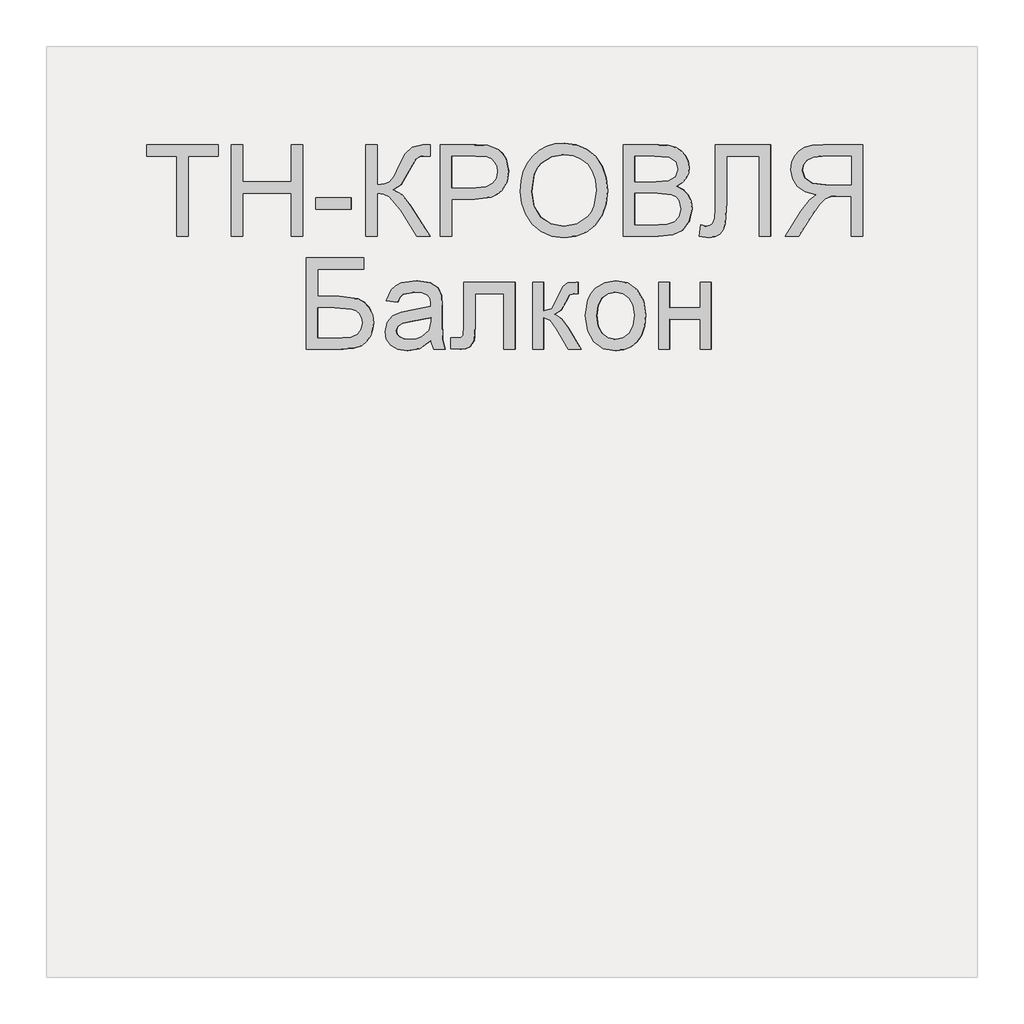
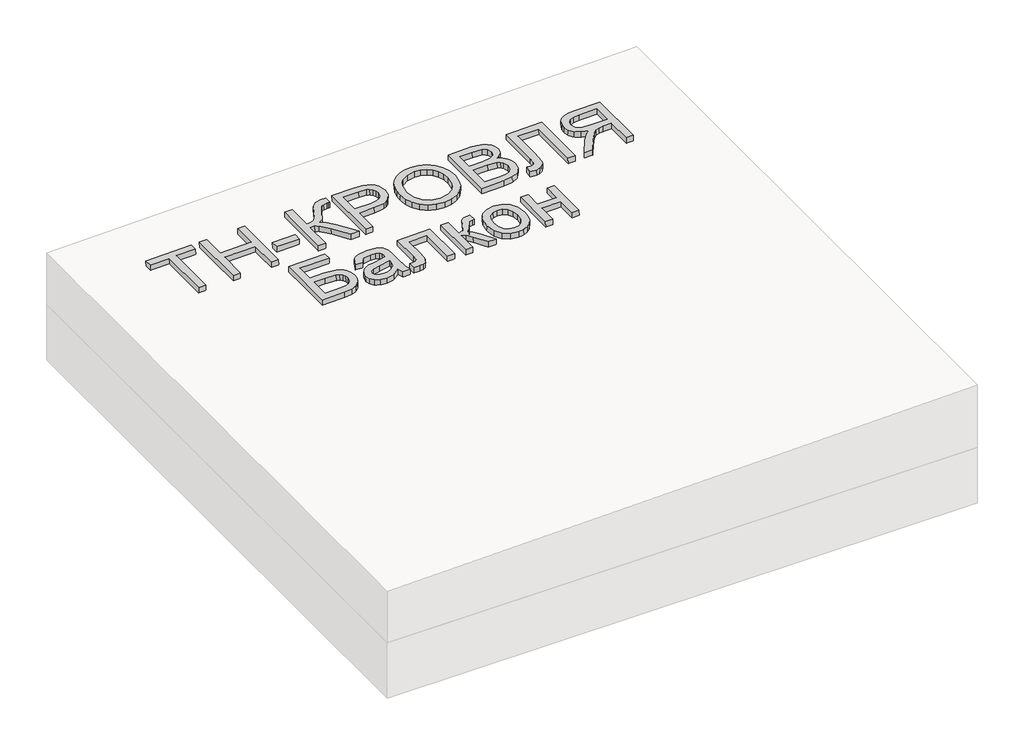
# One storey, part 3 of 3: 1 proxy.
"""IFC4 building model written with IfcOpenShell, lengths in millimetres."""

from ifc_helpers import new_model, si_unit, frame, origin, place, context, project, spatial, polyline, outline, extrude, element, save

model = new_model("IFC4")

# Units and contexts
model_context = context("Model", 3, world=origin())
ifc_project = project(units=[si_unit("LENGTHUNIT", "METRE", prefix="MILLI")], contexts=[model_context])

# Site, building, storey
site = spatial("IfcSite", under=ifc_project)
building = spatial("IfcBuilding", under=site)
storey = spatial("IfcBuildingStorey", under=building, Elevation=0.0)

# Proxy
placement = place(None, origin())
element("IfcBuildingElementProxy", 1, Name="Generic Models", at=placement, inside=storey, context=model_context, shape_type="SweptSolid", body=[
    extrude(outline(polyline([(24.6153846, 0.0), (24.6153846, -172.3076923), (89.2307693, -172.3076923), (89.2307693, -196.9230769), (-64.6153846, -196.9230769), (-64.6153846, -172.3076923), (0.0, -172.3076923), (0.0, 0.0), (24.6153846, 0.0)])), frame((22011.0409004, -4710.2316754, 190.0929061), z_axis=(-0.01999600119956399, 0.0, 0.9998000599800078), x_axis=(-0.9998000599800078, 0.0, -0.01999600119956399)), (0.0, 0.0, 1.0), 20.0),
    extrude(outline(polyline([(24.6153846, 0.0), (24.6153846, -196.9230769), (0.0, -196.9230769), (0.0, -116.9230769), (-104.6153846, -116.9230769), (-104.6153846, -196.9230769), (-129.2307692, -196.9230769), (-129.2307692, 0.0), (-104.6153846, 0.0), (-104.6153846, -92.3076923), (0.0, -92.3076923), (0.0, 0.0), (24.6153846, 0.0)])), frame((22127.9405997, -4710.2316754, 192.4309001), z_axis=(-0.01999600119956399, 0.0, 0.9998000599800078), x_axis=(-0.9998000599800078, 0.0, -0.01999600119956399)), (0.0, 0.0, 1.0), 20.0),
    extrude(outline(polyline([(76.9230769, 0.0), (76.9230769, -24.6153846), (0.0, -24.6153846), (0.0, 0.0), (76.9230769, 0.0)])), frame((22361.7399983, -4651.7701369, 197.1068881), z_axis=(-0.01999600119956399, 0.0, 0.9998000599800078), x_axis=(-0.9998000599800078, 0.0, -0.01999600119956399)), (0.0, 0.0, 1.0), 20.0),
    extrude(outline(polyline([(196.9230769, 0.0), (196.9230769, -24.6153846), (110.7692308, -24.6153846), (112.3978365, -41.280048), (117.2836538, -52.1394231), (128.7800481, -60.9194711), (150.2403846, -71.3461539), (177.7644231, -84.9278846), (191.3942308, -100.3125), (196.9230769, -122.3076923), (196.6346154, -138.4615385), (172.0192308, -138.4615385), (172.1634615, -133.0288462), (172.3076923, -127.5961539), (170.8293269, -116.3221153), (166.3942308, -108.3653846), (141.0576923, -93.75), (110.1923077, -76.3221153), (100.0, -59.3269231), (88.8701923, -78.329327), (65.6730769, -97.0673077), (0.0, -138.4615385), (0.0, -109.9038462), (55.4807692, -74.9038462), (84.4471154, -50.2644231), (90.3425481, -38.8882211), (92.3076923, -24.6153846), (0.0, -24.6153846), (0.0, 0.0), (196.9230769, 0.0)])), frame((22392.5030771, -4710.2316754, 197.7221496), z_axis=(-0.019996001199563986, 0.0, 0.9998000599800078), x_axis=(0.0, 1.0, 0.0)), (0.0, 0.0, 1.0), 20.0),
    extrude(outline(polyline([(24.6153846, 0.0), (24.6153846, -196.9230769), (-48.3653847, -196.9230769), (-77.7884615, -195.0480769), (-101.7067307, -185.8413461), (-110.4026442, -177.6802885), (-117.2115385, -166.8028846), (-123.0769231, -139.9519231), (-119.1165866, -116.7427885), (-107.235577, -97.4038461), (-97.7208534, -89.7896635), (-85.0180289, -84.3509615), (-50.0480769, -80.0), (0.0, -80.0), (0.0, 0.0), (24.6153846, 0.0)]), holes=[polyline([(0.0, -104.6153846), (-51.4903846, -104.6153846), (-73.3173077, -106.875), (-87.7403846, -113.6538461), (-95.78125, -124.53125), (-98.4615385, -139.0865385), (-96.8810096, -150.1442308), (-92.1394231, -159.4711538), (-84.8257212, -166.4903846), (-75.5288461, -170.625), (-50.9134615, -172.3076923), (0.0, -172.3076923), (0.0, -104.6153846)])]), frame((22577.0815497, -4710.2316754, 201.4137191), z_axis=(-0.01999600119956399, 0.0, 0.9998000599800078), x_axis=(-0.9998000599800078, 0.0, -0.01999600119956399)), (0.0, 0.0, 1.0), 20.0),
    extrude(outline(polyline([(25.3428445, 0.0), (48.1160484, -4.1938573), (67.8912361, -11.3545773), (84.6684074, -21.48216), (98.4475626, -34.5766053), (108.9049086, -49.9093782), (115.7166524, -66.7519434), (118.8827941, -85.1043011), (118.4033337, -104.9664512), (112.3116986, -130.2760814), (100.0658902, -152.2136344), (82.4868293, -169.6009171), (60.3954366, -181.2597367), (34.812491, -187.0380147), (6.7587717, -186.7836729), (-21.0136463, -180.6528553), (-44.9882084, -168.8870737), (-63.9421568, -152.1247694), (-76.6527338, -131.0043835), (-83.1347827, -107.1750808), (-83.4031474, -82.286026), (-77.165962, -56.5935492), (-64.600884, -34.5586152), (-46.7404789, -17.2511252), (-24.6173127, -5.740981), (0.0, 0.0), (25.3428445, 0.0)]), holes=[polyline([(22.3721769, -24.4366544), (-8.7890431, -25.9094147), (-33.7562618, -37.9787802), (-50.9832576, -58.3865326), (-58.9238091, -84.8744541), (-57.0179297, -112.8610054), (-44.5775814, -136.6179285), (-34.5460353, -146.3414541), (-22.1589797, -153.8699216), (9.6816594, -162.341683), (31.570013, -162.6815636), (50.9840871, -158.5364567), (67.4340475, -150.0149318), (80.43006, -137.2255581), (89.4380632, -121.0520253), (93.9239955, -102.3780231), (92.2935561, -75.5530127), (81.0850249, -51.6494364), (71.4163804, -41.5325654), (58.4080243, -33.6248113), (22.3721769, -24.4366544)])]), frame((22727.5562655, -4639.5525889, 204.4232134), z_axis=(-0.01999600119956399, 0.0, 0.9998000599800078), x_axis=(-0.11095588221402988, 0.9938228553011785, -0.002219117644276566)), (0.0, 0.0, 1.0), 20.0),
    extrude(outline(polyline([(74.5673077, 0.0), (74.5673077, -196.9230769), (-0.5769231, -196.9230769), (-21.2439904, -195.4747596), (-37.3798077, -191.1298077), (-49.7475962, -183.7800481), (-59.110577, -173.3173077), (-65.0060097, -161.0096154), (-66.9711539, -148.125), (-65.3185097, -136.2680288), (-60.360577, -125.1201923), (-52.0612981, -115.3665865), (-40.3846154, -107.6923077), (-54.3329327, -100.4086538), (-64.6394231, -89.3269231), (-71.0036058, -75.1802885), (-73.125, -58.7019231), (-67.3317308, -32.2355769), (-52.9807693, -13.3894231), (-31.5625, -3.3894231), (0.0, 0.0), (74.5673077, 0.0)]), holes=[polyline([(49.951923, -116.9230769), (5.0, -116.9230769), (-21.25, -119.0384615), (-37.0432692, -128.1490385), (-42.3557693, -144.1826923), (-37.4038462, -160.2403846), (-23.2211539, -169.7355769), (8.4134615, -172.3076923), (49.951923, -172.3076923), (49.951923, -116.9230769)]), polyline([(49.951923, -24.6153846), (-0.5288462, -24.6153846), (-18.798077, -25.5769231), (-34.2548077, -30.9375), (-44.4951924, -41.875), (-48.5096154, -58.4615385), (-43.798077, -77.5961538), (-37.626202, -84.5132211), (-28.5336539, -89.0144231), (1.875, -92.3076923), (49.951923, -92.3076923), (49.951923, -24.6153846)])]), frame((23020.7908936, -4710.2316754, 210.287906), z_axis=(-0.019996001199563986, 0.0, 0.9998000599800078), x_axis=(-0.9998000599800078, 0.0, -0.019996001199563986)), (0.0, 0.0, 1.0), 20.0),
    extrude(outline(polyline([(137.6442308, 0.0), (137.6442308, -120.0), (-59.2788461, -120.0), (-59.2788461, -95.3846153), (113.0288462, -95.3846153), (113.0288462, -24.6153846), (12.548077, -24.6153846), (-32.2836538, -21.7548077), (-44.951923, -17.3257211), (-54.4471153, -9.7596153), (-60.3786057, 0.6009616), (-62.3557692, 13.4134616), (-59.2788461, 33.8461539), (-34.6634615, 30.7692308), (-37.7403846, 18.9903846), (-36.0877403, 10.6670674), (-31.1298076, 4.7355769), (-20.0420673, 1.1838943), (0.0, 0.0), (137.6442308, 0.0)])), frame((23143.1221991, -4650.9528293, 212.7345321), z_axis=(-0.019996001199563986, 0.0, 0.9998000599800078), x_axis=(0.0, 1.0, 0.0)), (0.0, 0.0, 1.0), 20.0),
    extrude(outline(polyline([(24.6153846, -110.7692308), (0.0, -110.7692308), (0.0, -24.6153847), (-29.7115385, -24.6153847), (-43.9903846, -25.4807693), (-55.6971154, -30.1682693), (-68.7019232, -42.9326923), (-87.2115385, -69.9519231), (-112.8365385, -110.7692308), (-141.4423078, -110.7692308), (-108.6057692, -57.4038462), (-88.6538462, -32.0673077), (-74.6634616, -21.5384616), (-98.9122596, -15.0120193), (-115.8894231, -3.2211539), (-125.8954327, 12.8605769), (-129.2307693, 32.2596153), (-127.2175481, 47.8545673), (-121.1778846, 62.0432692), (-111.766827, 73.4855769), (-99.6394231, 80.8413461), (-83.046875, 84.8257211), (-60.2403847, 86.1538461), (24.6153846, 86.1538461), (24.6153846, -110.7692308)]), holes=[polyline([(0.0, 0.0), (0.0, 61.5384615), (-61.2980769, 61.5384615), (-80.7752404, 59.4110577), (-94.2067308, 53.0288461), (-102.0132212, 43.3533653), (-104.6153847, 31.3461538), (-99.1586539, 14.639423), (-83.1971154, 3.4855769), (-55.0961539, 0.0), (0.0, 0.0)])]), frame((23435.3714474, -4599.4624446, 218.579517), z_axis=(-0.01999600119956399, 0.0, 0.9998000599800078), x_axis=(0.9998000599800078, 0.0, 0.01999600119956399)), (0.0, 0.0, 1.0), 20.0),
    extrude(outline(polyline([(196.9230769, 0.0), (196.9230769, -123.0769231), (172.3076923, -123.0769231), (172.3076923, -24.6153846), (113.8461539, -24.6153846), (113.8461539, -70.7211539), (108.8461539, -111.3461539), (101.6225962, -124.9399039), (89.9519231, -135.5288461), (74.9278846, -142.34375), (57.6442308, -144.6153846), (43.1310096, -142.9987981), (29.5913462, -138.1490385), (17.734375, -130.0901442), (8.2692308, -118.8461539), (2.0673077, -101.5024039), (0.0, -75.1442307), (0.0, 0.0), (196.9230769, 0.0)]), holes=[polyline([(24.6153846, -24.6153846), (24.6153846, -77.3557692), (26.6466346, -95.9975962), (32.7403846, -109.3269231), (42.8966346, -117.3317308), (57.1153846, -120.0), (67.7043269, -118.4735577), (76.3942308, -113.8942308), (82.8365385, -106.5925481), (86.6826923, -96.8990385), (89.2307692, -59.8076924), (89.2307692, -24.6153846), (24.6153846, -24.6153846)])]), frame((22264.8363002, -4953.3085985, 195.1688141), z_axis=(-0.019996001199563986, 0.0, 0.9998000599800078), x_axis=(0.0, 1.0, 0.0)), (0.0, 0.0, 1.0), 20.0),
    extrude(outline(polyline([(19.4601703, 0.0), (11.1819963, 27.9207833), (14.9143961, 54.4732734), (24.1902839, 73.0649575), (37.3011935, 84.6897487), (52.8826325, 89.3590492), (69.5701086, 87.0842618), (86.5521477, 76.4571844), (96.0465823, 60.2429097), (98.2586564, 41.3376585), (95.0355657, 19.9618777), (89.5623928, -23.2153749), (94.7162973, -25.0853756), (105.6740455, -26.9515756), (114.1004512, -24.401229), (122.7587066, -15.3020791), (129.4557418, -0.8361791), (132.8384667, 24.2872047), (128.8153045, 32.9891694), (120.6530554, 40.8663575), (131.356149, 63.2455533), (150.7935144, 45.5413593), (155.5977439, 34.3745663), (157.376525, 20.7448456), (151.804531, -11.6304923), (138.22042, -38.5478605), (122.4698447, -51.0601419), (104.2335367, -52.9377443), (83.4202766, -47.266929), (54.3668506, -37.5824537), (13.4016719, -25.2450099), (-7.7840681, -23.3522042), (0.0, 0.0), (19.4601703, 0.0)]), holes=[polyline([(66.1645788, -15.5681361), (71.5617354, 24.4924486), (74.4731593, 45.8454244), (71.3488898, 56.9970142), (63.4279923, 63.1847402), (55.9042801, 63.7605636), (48.4755881, 60.4405522), (41.8184616, 53.1258847), (36.6094453, 41.7177399), (33.8253486, 28.7094523), (34.3213549, 16.2294779), (42.7667647, -3.5119525), (59.5967713, -13.2268344), (66.1645788, -15.5681361)])]), frame((22538.6277013, -4953.3085985, 200.6446421), z_axis=(-0.01999600119956399, 0.0, 0.9998000599800078), x_axis=(-0.3161645394310612, 0.9486832980504862, -0.006323290788609769)), (0.0, 0.0, 1.0), 20.0),
    extrude(outline(polyline([(92.2115384, 0.0), (92.2115384, -110.7692307), (-52.2596154, -110.7692307), (-52.2596154, -86.1538461), (67.5961538, -86.1538461), (67.5961538, -24.6153846), (-1.3942308, -24.6153846), (-33.2211539, -22.9567308), (-46.6586539, -13.8461538), (-50.9675481, -4.7355769), (-52.4038462, 7.6923077), (-51.1538462, 27.6923077), (-27.7884616, 27.6923077), (-27.7884616, 16.6826923), (-26.2740385, 5.5528846), (-21.4663462, 1.1057693), (0.0, 0.0), (92.2115384, 0.0)])), frame((22603.2301667, -4900.9047523, 201.9366914), z_axis=(-0.019996001199563986, 0.0, 0.9998000599800078), x_axis=(0.0, 1.0, 0.0)), (0.0, 0.0, 1.0), 20.0),
    extrude(outline(polyline([(144.6153846, 0.0), (144.6153846, -24.6153846), (83.0769231, -24.6153846), (87.5, -41.1057692), (113.2692308, -54.6153846), (135.5048077, -65.8413461), (142.7403846, -75.7451923), (144.6153846, -93.75), (144.6153846, -98.4615384), (119.8557692, -98.4615384), (120.0, -91.8269231), (117.4038462, -79.8076923), (101.2019231, -71.3461539), (83.6778846, -61.4182692), (75.0961539, -47.4999999), (65.5168269, -63.0288461), (45.3365385, -78.2692308), (0.0, -104.6153846), (0.0, -76.6346153), (44.375, -50.8173076), (63.1490385, -37.8365384), (67.6923077, -24.6153846), (0.0, -24.6153846), (0.0, 0.0), (144.6153846, 0.0)])), frame((22750.8929448, -4953.3085985, 204.889947), z_axis=(-0.019996001199563986, 0.0, 0.9998000599800078), x_axis=(0.0, 1.0, 0.0)), (0.0, 0.0, 1.0), 20.0),
    extrude(outline(polyline([(32.567166, 0.0), (66.3756558, -10.0548094), (78.8838583, -18.5052064), (88.4613657, -29.2375981), (97.6493261, -50.4330578), (98.3741514, -74.3884679), (90.0009116, -99.3354124), (72.6856708, -117.7907263), (47.8333955, -128.0195983), (16.8490523, -128.2872164), (-7.510343, -122.9013502), (-25.441205, -114.3768481), (-38.1401425, -102.7240242), (-46.8037641, -87.9531932), (-51.1686244, -71.2292642), (-50.9712784, -53.7171463), (-42.5730516, -28.4581811), (-25.3146823, -10.019263), (0.0, 0.0), (32.567166, 0.0)]), holes=[polyline([(29.2398792, -24.3895189), (6.7820621, -24.156784), (-10.1111098, -30.4456966), (-21.2858449, -41.8821547), (-26.588351, -57.0920559), (-25.5887935, -73.1014407), (-17.8837037, -87.1268409), (-3.1255027, -97.7967093), (19.0333893, -103.7394986), (40.8507691, -103.8653881), (57.5370536, -97.4932374), (68.7109647, -86.0627322), (73.9912241, -71.0135582), (73.0313183, -54.9368589), (65.4188174, -40.9000065), (50.9046835, -30.2639203), (29.2398792, -24.3895189)])]), frame((22869.1805877, -4913.2605216, 207.2556998), z_axis=(-0.01999600119956399, 0.0, 0.9998000599800079), x_axis=(-0.13707829158736495, 0.9905564223164067, -0.0027415658317423226)), (0.0, 0.0, 1.0), 20.0),
    extrude(outline(polyline([(144.6153846, 0.0), (144.6153846, -24.6153846), (89.2307692, -24.6153846), (89.2307692, -89.2307693), (144.6153846, -89.2307693), (144.6153846, -113.8461539), (0.0, -113.8461539), (0.0, -89.2307693), (64.6153846, -89.2307693), (64.6153846, -24.6153846), (0.0, -24.6153846), (0.0, 0.0), (144.6153846, 0.0)])), frame((23021.6080379, -4953.3085985, 210.3042489), z_axis=(-0.019996001199563986, 0.0, 0.9998000599800078), x_axis=(0.0, 1.0, 0.0)), (0.0, 0.0, 1.0), 20.0),
])

save(model, "model.ifc")
